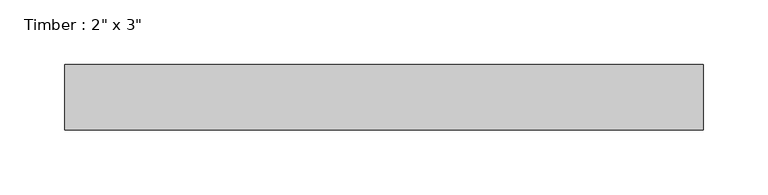
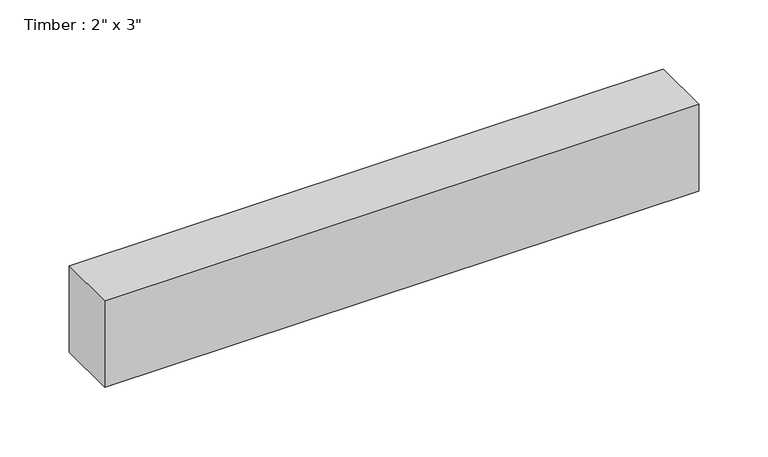
"""IFC4 building model written with IfcOpenShell, lengths in millimetres: beam geometry."""

from ifc_helpers import new_model, si_unit, frame, origin, place, context, project, spatial, polyline, outline, extrude, source, transform, mapped, element, save


def beam_70248ba2(model_context):
    return source(origin(), model_context, "Body", "SweptSolid", [
        extrude(outline(polyline([(246.9055507, -25.4), (-246.9055507, -25.4), (-246.9055507, 25.4), (246.9055507, 25.4), (246.9055507, -25.4)])), frame((0.0, 0.0, -38.1), z_axis=(0.0, 0.0, 1.0), x_axis=(1.0, 0.0, 0.0)), (0.0, 0.0, 1.0), 76.2),
    ])


if __name__ == "__main__":
    model = new_model("IFC4")
    model_context = context("Model", 3, world=origin())
    ifc_project = project(units=[si_unit("LENGTHUNIT", "METRE", prefix="MILLI")], contexts=[model_context])
    site = spatial("IfcSite", under=ifc_project)
    building = spatial("IfcBuilding", under=site)
    placement = place(None, origin())
    beam_shape = beam_70248ba2(model_context)
    element("IfcBeam", 1, ObjectType="Timber : 2\" x 3\"", at=placement, inside=building, context=model_context, shape_type="MappedRepresentation", body=[
        mapped(beam_shape, transform((0.0, 0.0, 0.0), x_axis=(1.0, 0.0, 0.0), y_axis=(0.0, 1.0, 0.0), z_axis=(0.0, 0.0, 1.0))),
    ])
    save(model, "model.ifc")
